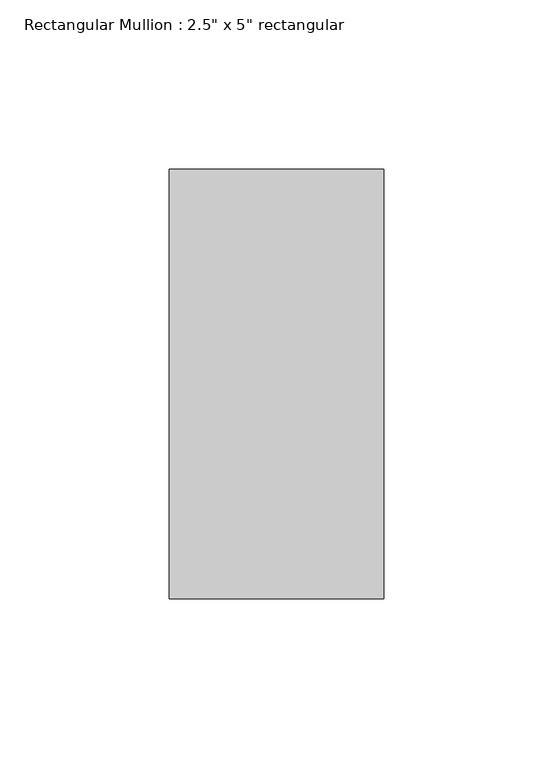
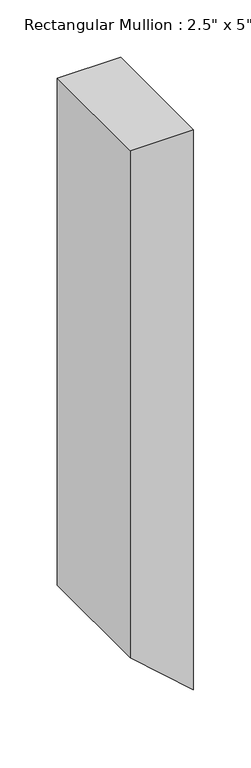
"""IFC4 building model written with IfcOpenShell, lengths in millimetres: member geometry."""

from ifc_helpers import new_model, si_unit, frame, origin, place, context, project, spatial, polyline, outline, extrude, source, transform, mapped, element, save


def member_40bb2408(model_context):
    return source(origin(), model_context, "Body", "SweptSolid", [
        extrude(outline(polyline([(0.0, 0.0), (0.0, -63.5), (-539.1750242, -63.5), (-595.36641, 0.0), (0.0, 0.0)])), frame((0.0, -63.5, 0.0), z_axis=(0.0, 1.0, 0.0), x_axis=(0.0, 0.0, 1.0)), (0.0, 0.0, 1.0), 127.0),
    ])


if __name__ == "__main__":
    model = new_model("IFC4")
    model_context = context("Model", 3, world=origin())
    ifc_project = project(units=[si_unit("LENGTHUNIT", "METRE", prefix="MILLI")], contexts=[model_context])
    site = spatial("IfcSite", under=ifc_project)
    building = spatial("IfcBuilding", under=site)
    placement = place(None, origin())
    member_shape = member_40bb2408(model_context)
    element("IfcMember", 1, ObjectType="Rectangular Mullion : 2.5\" x 5\" rectangular", at=placement, inside=building, context=model_context, shape_type="MappedRepresentation", body=[
        mapped(member_shape, transform((0.0, 0.0, 0.0), x_axis=(1.0, 0.0, 0.0), y_axis=(0.0, 1.0, 0.0), z_axis=(0.0, 0.0, 1.0))),
    ])
    save(model, "model.ifc")
